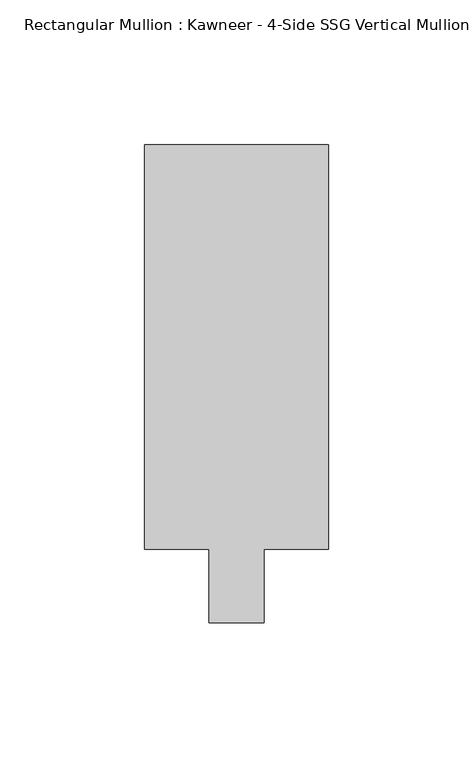
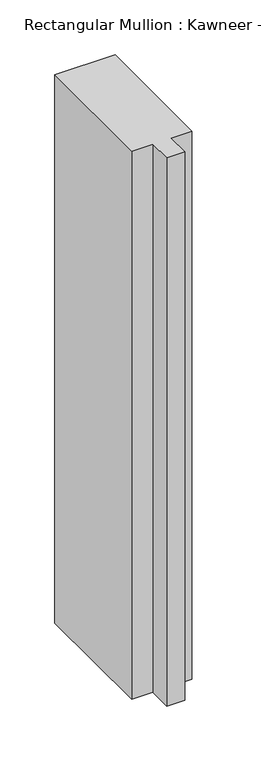
"""IFC4 building model written with IfcOpenShell, lengths in millimetres: member geometry."""

from ifc_helpers import new_model, si_unit, frame, origin, place, context, project, spatial, polyline, outline, extrude, source, transform, mapped, element, save


def member_3c6b99cc(model_context):
    return source(origin(), model_context, "Body", "SweptSolid", [
        extrude(outline(polyline([(-31.75, 152.399995), (31.75, 152.399995), (31.75, 12.7), (9.5251132, 12.7), (9.5251132, -12.7), (-9.5251132, -12.7), (-9.5251132, 12.7), (-31.75, 12.7), (-31.75, 152.399995)])), frame((0.0, 0.0, -609.6), z_axis=(0.0, 0.0, 1.0), x_axis=(1.0, 0.0, 0.0)), (0.0, 0.0, 1.0), 609.6),
    ])


if __name__ == "__main__":
    model = new_model("IFC4")
    model_context = context("Model", 3, world=origin())
    ifc_project = project(units=[si_unit("LENGTHUNIT", "METRE", prefix="MILLI")], contexts=[model_context])
    site = spatial("IfcSite", under=ifc_project)
    building = spatial("IfcBuilding", under=site)
    placement = place(None, origin())
    member_shape = member_3c6b99cc(model_context)
    element("IfcMember", 1, ObjectType="Rectangular Mullion : Kawneer - 4-Side SSG Vertical Mullion - 6 1/2\"", at=placement, inside=building, context=model_context, shape_type="MappedRepresentation", body=[
        mapped(member_shape, transform((0.0, 0.0, 0.0), x_axis=(1.0, 0.0, 0.0), y_axis=(0.0, 1.0, 0.0), z_axis=(0.0, 0.0, 1.0))),
    ])
    save(model, "model.ifc")
